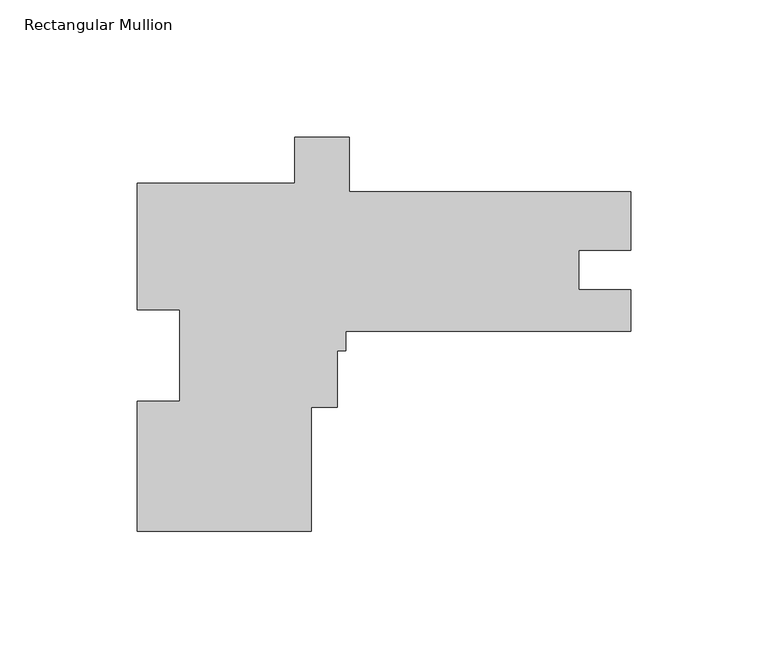
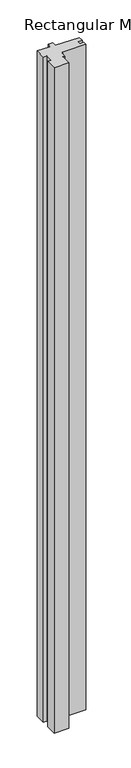
"""IFC4 building model written with IfcOpenShell, lengths in millimetres: member geometry, Rectangular Mullion."""

from ifc_helpers import new_model, si_unit, frame, origin, place, context, project, spatial, polyline, outline, extrude, source, transform, mapped, element, save


def rectangular_mullion_f9f73b2d(model_context):
    return source(origin(), model_context, "Body", "SweptSolid", [
        extrude(outline(polyline([(-116.6812513, -126.9917545), (-180.1812513, -126.9917545), (-180.1812513, -79.5234405), (-164.6872513, -79.5234405), (-164.6872513, -46.17302), (-180.1812513, -46.17302), (-180.1812513, 0.0082455), (-122.6486168, 0.0082455), (-122.6486168, 16.7973113), (-102.8048668, 16.7973113), (-102.8048668, -3.1667545), (-1.3e-06, -3.1667545), (-1.3e-06, -24.5535612), (-19.0246, -24.5535612), (-19.0246, -38.8664545), (0.0, -38.8664545), (0.0, -53.9667545), (-103.9812513, -53.9667545), (-103.9812513, -61.1293005), (-107.1562513, -61.1293005), (-107.1562513, -81.7541005), (-116.6812513, -81.7541005), (-116.6812513, -126.9917545)])), frame((0.0, 0.0, -3048.0), z_axis=(0.0, 0.0, 1.0), x_axis=(1.0, 0.0, 0.0)), (0.0, 0.0, 1.0), 3048.0),
    ])


if __name__ == "__main__":
    model = new_model("IFC4")
    model_context = context("Model", 3, world=origin())
    ifc_project = project(units=[si_unit("LENGTHUNIT", "METRE", prefix="MILLI")], contexts=[model_context])
    site = spatial("IfcSite", under=ifc_project)
    building = spatial("IfcBuilding", under=site)
    placement = place(None, origin())
    rectangular_mullion_shape = rectangular_mullion_f9f73b2d(model_context)
    element("IfcMember", 1, ObjectType="Rectangular Mullion", at=placement, inside=building, context=model_context, shape_type="MappedRepresentation", body=[
        mapped(rectangular_mullion_shape, transform((0.0, 0.0, 0.0), x_axis=(1.0, 0.0, 0.0), y_axis=(0.0, 1.0, 0.0), z_axis=(0.0, 0.0, 1.0))),
    ])
    save(model, "model.ifc")
